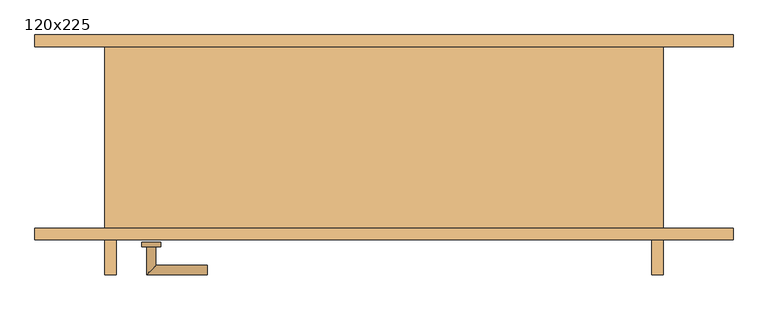
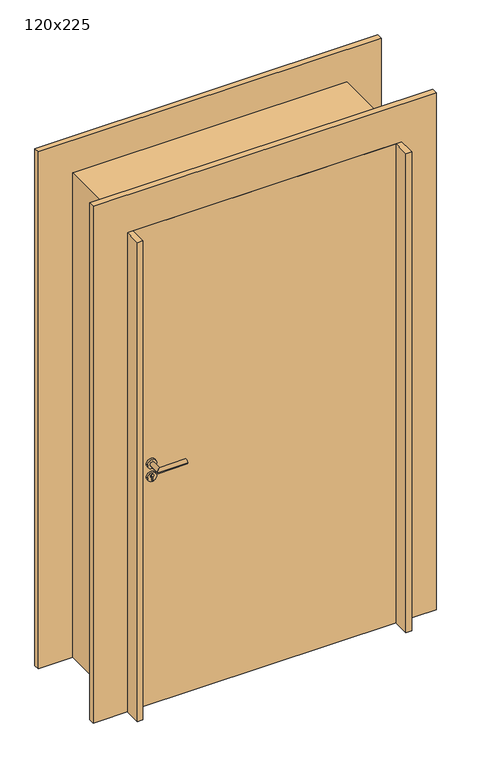
"""IFC4 building model written with IfcOpenShell, lengths in millimetres: door geometry, 120x225."""

from ifc_helpers import new_model, si_unit, point, frame, frame_2d, origin, place, context, project, spatial, polyline, circle_curve, ellipse_curve, trimmed, segment, composite_curve, outline, extrude, faceted_brep, source, transform, mapped, element, save
from ifc_brep_helpers import plane_surface, cylinder_surface, advanced_brep


def door_120x225_16b6d2e5(model_context):
    return source(origin(), model_context, "Body", "SolidModel", [
        extrude(outline(composite_curve([segment(trimmed(circle_curve(frame_2d((1070.0, -500.0)), 20.0), [point((1070.0, -480.0))], [point((1070.0, -520.0))], False, "CARTESIAN"), True, "CONTINUOUS"), segment(trimmed(circle_curve(frame_2d((1070.0, -500.0)), 20.0), [point((1070.0, -520.0))], [point((1070.0, -480.0))], False, "CARTESIAN"), True, "CONTINUOUS")], self_intersect=False), holes=[composite_curve([segment(polyline([(1056.4601385, -502.397268), (1068.4749012, -502.397268)]), True, "CONTINUOUS"), segment(trimmed(circle_curve(frame_2d((1075.0361633, -500.0)), 6.9854888), [point((1068.4749012, -502.397268))], [point((1068.4749012, -497.602732))], True, "CARTESIAN"), True, "CONTINUOUS"), segment(polyline([(1068.4749012, -497.602732), (1056.4601385, -497.602732)]), True, "CONTINUOUS"), segment(trimmed(circle_curve(frame_2d((1056.4601385, -500.0)), 2.397268), [point((1056.4601385, -497.602732))], [point((1056.4601385, -502.397268))], True, "CARTESIAN"), True, "CONTINUOUS")], self_intersect=False)]), frame((0.0, -155.0, 0.0), z_axis=(0.0, 1.0, 0.0), x_axis=(0.0, 0.0, 1.0)), (0.0, 0.0, 1.0), 10.0),
        advanced_brep(
        [(-510.0, -145.0, 1130.0), (-490.0, -145.0, 1130.0), (-490.0, -105.0, 1130.0), (-510.0, -85.0, 1130.0), (-380.0, -85.0, 1130.0), (-380.0, -105.0, 1130.0)],
        [
            (0, 1, circle_curve(frame((-500.0, -145.0, 1130.0), z_axis=(0.0, -1.0, 0.0), x_axis=(1.0, 0.0, 0.0)), 10.0)),
            (1, 0, circle_curve(frame((-500.0, -145.0, 1130.0), z_axis=(0.0, -1.0, 0.0), x_axis=(1.0, 0.0, 0.0)), 10.0)),
            (1, 2),
            (2, 3, ellipse_curve(frame((-500.0, -95.0, 1130.0), z_axis=(-0.707106781186543, -0.7071067811865519, 0.0), x_axis=(0.7071067811865517, -0.7071067811865432, 0.0)), 14.1421356, 10.0)),
            (3, 0),
            (3, 2, ellipse_curve(frame((-500.0, -95.0, 1130.0), z_axis=(-0.707106781186543, -0.7071067811865519, 0.0), x_axis=(0.7071067811865517, -0.7071067811865432, 0.0)), 14.1421356, 10.0)),
            (4, 5, circle_curve(frame((-380.0, -95.0, 1130.0), z_axis=(1.0, 0.0, 0.0), x_axis=(0.0, -1.0, 0.0)), 10.0)),
            (5, 4, circle_curve(frame((-380.0, -95.0, 1130.0), z_axis=(1.0, 0.0, 0.0), x_axis=(0.0, -1.0, 0.0)), 10.0)),
            (2, 5),
            (4, 3),
        ],
        [
            plane_surface(frame((-500.0, -145.0, -70.0), z_axis=(0.0, -1.0, 0.0), x_axis=(0.0, 0.0, 1.0))),
            cylinder_surface(frame((-500.0, -145.0, 1130.0), z_axis=(0.0, -1.0, 0.0), x_axis=(1.0, 0.0, 0.0)), 10.0),
            plane_surface(frame((-380.0, -95.0, -70.0), z_axis=(1.0, 0.0, 0.0), x_axis=(0.0, 0.0, 1.0))),
            cylinder_surface(frame((-500.0, -95.0, 1130.0), z_axis=(-1.0, 0.0, 0.0), x_axis=(0.0, -1.0, 0.0)), 10.0),
        ],
        [
            (0, [[1, 2]]),
            (1, [[3, 4, 5, -2]]),
            (1, [[-5, 6, -3, -1]]),
            (2, [[7, 8]]),
            (3, [[9, -7, 10, -4]]),
            (3, [[-10, -8, -9, -6]]),
        ],
    ),
        extrude(outline(composite_curve([segment(trimmed(circle_curve(frame_2d((1130.0, -500.0)), 20.0), [point((1130.0, -480.0))], [point((1130.0, -520.0))], False, "CARTESIAN"), True, "CONTINUOUS"), segment(trimmed(circle_curve(frame_2d((1130.0, -500.0)), 20.0), [point((1130.0, -520.0))], [point((1130.0, -480.0))], False, "CARTESIAN"), True, "CONTINUOUS")], self_intersect=False)), frame((0.0, -155.0, 0.0), z_axis=(0.0, 1.0, 0.0), x_axis=(0.0, 0.0, 1.0)), (0.0, 0.0, 1.0), 10.0),
        extrude(outline(composite_curve([segment(trimmed(circle_curve(frame_2d((1070.0, -500.0)), 20.0), [point((1070.0, -480.0))], [point((1070.0, -520.0))], False, "CARTESIAN"), True, "CONTINUOUS"), segment(trimmed(circle_curve(frame_2d((1070.0, -500.0)), 20.0), [point((1070.0, -520.0))], [point((1070.0, -480.0))], False, "CARTESIAN"), True, "CONTINUOUS")], self_intersect=False), holes=[composite_curve([segment(polyline([(1056.4601385, -502.397268), (1068.4749012, -502.397268)]), True, "CONTINUOUS"), segment(trimmed(circle_curve(frame_2d((1075.0361633, -500.0)), 6.9854888), [point((1068.4749012, -502.397268))], [point((1068.4749012, -497.602732))], True, "CARTESIAN"), True, "CONTINUOUS"), segment(polyline([(1068.4749012, -497.602732), (1056.4601385, -497.602732)]), True, "CONTINUOUS"), segment(trimmed(circle_curve(frame_2d((1056.4601385, -500.0)), 2.397268), [point((1056.4601385, -497.602732))], [point((1056.4601385, -502.397268))], True, "CARTESIAN"), True, "CONTINUOUS")], self_intersect=False)]), frame((0.0, -185.0, 0.0), z_axis=(0.0, 1.0, 0.0), x_axis=(0.0, 0.0, 1.0)), (0.0, 0.0, 1.0), 10.0),
        advanced_brep(
        [(-510.0, -185.0, 1130.0), (-490.0, -185.0, 1130.0), (-510.0, -245.0, 1130.0), (-490.0, -225.0, 1130.0), (-380.0, -245.0, 1130.0), (-380.0, -225.0, 1130.0)],
        [
            (0, 1, circle_curve(frame((-500.0, -185.0, 1130.0), z_axis=(0.0, 1.0, 0.0), x_axis=(1.0, 0.0, 0.0)), 10.0)),
            (1, 0, circle_curve(frame((-500.0, -185.0, 1130.0), z_axis=(0.0, 1.0, 0.0), x_axis=(1.0, 0.0, 0.0)), 10.0)),
            (0, 2),
            (2, 3, ellipse_curve(frame((-500.0, -235.0, 1130.0), z_axis=(-0.707106781186543, 0.7071067811865519, 0.0), x_axis=(0.7071067811865517, 0.7071067811865432, 0.0)), 14.1421356, 10.0)),
            (3, 1),
            (3, 2, ellipse_curve(frame((-500.0, -235.0, 1130.0), z_axis=(-0.707106781186543, 0.7071067811865519, 0.0), x_axis=(0.7071067811865517, 0.7071067811865432, 0.0)), 14.1421356, 10.0)),
            (4, 5, circle_curve(frame((-380.0, -235.0, 1130.0), z_axis=(1.0, 0.0, 0.0), x_axis=(0.0, 1.0, 0.0)), 10.0)),
            (5, 4, circle_curve(frame((-380.0, -235.0, 1130.0), z_axis=(1.0, 0.0, 0.0), x_axis=(0.0, 1.0, 0.0)), 10.0)),
            (2, 4),
            (5, 3),
        ],
        [
            plane_surface(frame((-500.0, -185.0, -70.0), z_axis=(0.0, 1.0, 0.0), x_axis=(0.0, 0.0, 1.0))),
            cylinder_surface(frame((-500.0, -185.0, 1130.0), z_axis=(0.0, 1.0, 0.0), x_axis=(1.0, 0.0, 0.0)), 10.0),
            plane_surface(frame((-380.0, -235.0, -70.0), z_axis=(1.0, 0.0, 0.0), x_axis=(0.0, 0.0, 1.0))),
            cylinder_surface(frame((-500.0, -235.0, 1130.0), z_axis=(-1.0, 0.0, 0.0), x_axis=(0.0, 1.0, 0.0)), 10.0),
        ],
        [
            (0, [[1, 2]]),
            (1, [[-1, 3, 4, 5]]),
            (1, [[-2, -5, 6, -3]]),
            (2, [[7, 8]]),
            (3, [[-4, 9, -8, 10]]),
            (3, [[-6, -10, -7, -9]]),
        ],
    ),
        extrude(outline(composite_curve([segment(trimmed(circle_curve(frame_2d((1130.0, -500.0)), 20.0), [point((1130.0, -480.0))], [point((1130.0, -520.0))], False, "CARTESIAN"), True, "CONTINUOUS"), segment(trimmed(circle_curve(frame_2d((1130.0, -500.0)), 20.0), [point((1130.0, -520.0))], [point((1130.0, -480.0))], False, "CARTESIAN"), True, "CONTINUOUS")], self_intersect=False)), frame((0.0, -185.0, 0.0), z_axis=(0.0, 1.0, 0.0), x_axis=(0.0, 0.0, 1.0)), (0.0, 0.0, 1.0), 10.0),
        faceted_brep([(-600.0, 245.0, 10.0), (-750.0, 245.0, 10.0), (-750.0, 270.0, 10.0), (-575.0, 270.0, 10.0), (-575.0, -245.0, 10.0), (-600.0, -245.0, 10.0), (600.0, -245.0, 10.0), (575.0, -245.0, 10.0), (575.0, 270.0, 10.0), (750.0, 270.0, 10.0), (750.0, 245.0, 10.0), (600.0, 245.0, 10.0), (-575.0, 270.0, 2225.0), (-575.0, -145.0, 2225.0), (-575.0, -245.0, 2225.0), (-600.0, -245.0, 2225.0), (-600.0, -145.0, 2225.0), (-600.0, -145.0, 2250.0), (-600.0, 245.0, 2250.0), (575.0, -245.0, 2225.0), (575.0, -145.0, 2225.0), (575.0, 270.0, 2225.0), (600.0, 245.0, 2250.0), (600.0, -145.0, 2250.0), (600.0, -145.0, 2225.0), (600.0, -245.0, 2225.0), (-750.0, 270.0, 2400.0), (750.0, 270.0, 2400.0), (-750.0, 245.0, 2400.0), (750.0, 245.0, 2400.0)], [[[0, 1, 2, 3, 4, 5]], [[6, 7, 8, 9, 10, 11]], [[4, 3, 12, 13, 14]], [[15, 5, 4, 14]], [[5, 15, 16, 17, 18, 0]], [[19, 20, 21, 8, 7]], [[11, 22, 23, 24, 25, 6]], [[26, 27, 9, 8, 21, 12, 3, 2]], [[28, 1, 0, 18, 22, 11, 10, 29]], [[2, 1, 28, 26]], [[21, 20, 13, 12]], [[27, 29, 10, 9]], [[26, 28, 29, 27]], [[22, 18, 17, 23]], [[14, 13, 16, 15]], [[25, 24, 20, 19]], [[19, 7, 6, 25]], [[23, 17, 16, 13, 20, 24]]]),
        extrude(outline(polyline([(575.0, -130.1756171), (575.0, -170.0), (-575.0, -170.0), (-575.0, -130.1756171), (575.0, -130.1756171)])), frame((0.0, 0.0, 10.0), z_axis=(0.0, 0.0, 1.0), x_axis=(1.0, 0.0, 0.0)), (0.0, 0.0, 1.0), 2215.0),
        extrude(outline(polyline([(2225.0, -575.0), (2225.0, 575.0), (10.0, 575.0), (10.0, 750.0), (2400.0, 750.0), (2400.0, -750.0), (10.0, -750.0), (10.0, -575.0), (2225.0, -575.0)])), frame((0.0, -170.0, 0.0), z_axis=(0.0, 1.0, 0.0), x_axis=(0.0, 0.0, 1.0)), (0.0, 0.0, 1.0), 25.0),
    ])


if __name__ == "__main__":
    model = new_model("IFC4")
    model_context = context("Model", 3, world=origin())
    ifc_project = project(units=[si_unit("LENGTHUNIT", "METRE", prefix="MILLI")], contexts=[model_context])
    site = spatial("IfcSite", under=ifc_project)
    building = spatial("IfcBuilding", under=site)
    placement = place(None, origin())
    door_120x225_shape = door_120x225_16b6d2e5(model_context)
    element("IfcDoor", 1, ObjectType="120x225", at=placement, inside=building, context=model_context, shape_type="MappedRepresentation", body=[
        mapped(door_120x225_shape, transform((0.0, 0.0, 0.0), x_axis=(1.0, 0.0, 0.0), y_axis=(0.0, 1.0, 0.0), z_axis=(0.0, 0.0, 1.0))),
    ])
    save(model, "model.ifc")
